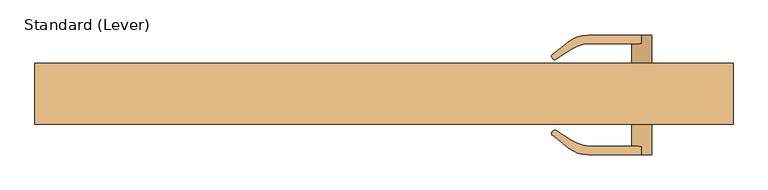
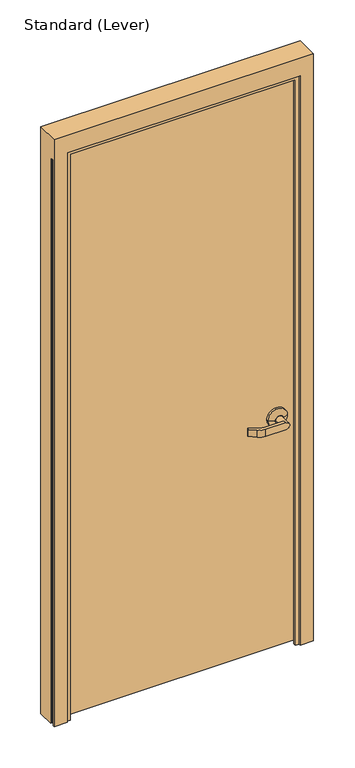
"""IFC4 building model written with IfcOpenShell, lengths in millimetres: door geometry, Standard (Lever)."""

from ifc_helpers import new_model, si_unit, frame, origin, place, context, project, spatial, polyline, circle_curve, outline, extrude, faceted_brep, source, transform, mapped, element, save
from ifc_brep_helpers import plane_surface, cylinder_surface, revolved_surface, advanced_brep


def standard_lever_a36bd445(model_context):
    return source(origin(), model_context, "Body", "SolidModel", [
        advanced_brep(
        [(414.3374977, -23.8125, 965.2), (338.1374977, -23.8125, 965.2), (414.3374977, -31.75, 965.2), (338.1374977, -31.75, 965.2), (390.5249977, -88.9, 965.2), (376.2374977, -88.9, 979.4875), (297.4875373, -88.9, 979.4875), (297.4875373, -88.9, 950.9125), (376.2374977, -88.9, 950.9125), (376.2374977, -76.2, 950.9125), (361.9499977, -76.2, 965.2), (361.9499977, -44.45, 965.2), (390.5249977, -44.45, 965.2), (376.2374977, -76.2, 979.4875), (392.1124977, -44.45, 965.2), (360.3624977, -44.45, 965.2), (300.8302697, -76.2, 979.4875), (273.1626067, -68.0044649, 979.4875), (250.708821, -53.4228059, 979.4875), (247.3460594, -53.7762464, 979.4875), (245.3292095, -55.7930963, 979.4875), (245.5753111, -60.0430182, 979.4875), (269.8947215, -79.2988023, 979.4875), (300.8302697, -76.2, 950.9125), (269.8947215, -79.2988023, 950.9125), (245.5753111, -60.0430182, 950.9125), (245.3292095, -55.7930963, 950.9125), (247.3460594, -53.7762464, 950.9125), (250.708821, -53.4228059, 950.9125), (273.1626067, -68.0044649, 950.9125)],
        [
            (0, 1, circle_curve(frame((376.2374977, -23.8125, 965.2), z_axis=(0.0, 1.0, 0.0), x_axis=(-1.0, 0.0, 0.0)), 38.1)),
            (1, 0, circle_curve(frame((376.2374977, -23.8125, 965.2), z_axis=(0.0, 1.0, 0.0), x_axis=(-1.0, 0.0, 0.0)), 38.1)),
            (0, 2),
            (2, 3, circle_curve(frame((376.2374977, -31.75, 965.2), z_axis=(0.0, 1.0, 0.0), x_axis=(-1.0, 0.0, 0.0)), 38.1)),
            (3, 1),
            (3, 2, circle_curve(frame((376.2374977, -31.75, 965.2), z_axis=(0.0, 1.0, 0.0), x_axis=(-1.0, 0.0, 0.0)), 38.1)),
            (4, 5, circle_curve(frame((376.2374977, -88.9, 965.2), z_axis=(0.0, -1.0, 0.0), x_axis=(-1.0, 0.0, 0.0)), 14.2875)),
            (5, 6),
            (6, 7),
            (7, 8),
            (8, 4, circle_curve(frame((376.2374977, -88.9, 965.2), z_axis=(0.0, -1.0, 0.0), x_axis=(-1.0, 0.0, 0.0)), 14.2875)),
            (8, 9),
            (9, 10, circle_curve(frame((376.2374977, -76.2, 965.2), z_axis=(0.0, 1.0, 0.0), x_axis=(-1.0, 0.0, 0.0)), 14.2875)),
            (10, 11),
            (11, 12, circle_curve(frame((376.2374977, -44.45, 965.2), z_axis=(0.0, -1.0, 0.0), x_axis=(-1.0, 0.0, 0.0)), 14.2875)),
            (12, 4),
            (12, 11, circle_curve(frame((376.2374977, -44.45, 965.2), z_axis=(0.0, -1.0, 0.0), x_axis=(-1.0, 0.0, 0.0)), 14.2875)),
            (10, 13, circle_curve(frame((376.2374977, -76.2, 965.2), z_axis=(0.0, 1.0, 0.0), x_axis=(-1.0, 0.0, 0.0)), 14.2875)),
            (13, 5),
            (14, 15, circle_curve(frame((376.2374977, -44.45, 965.2), z_axis=(0.0, -1.0, 0.0), x_axis=(-1.0, 0.0, 0.0)), 15.875)),
            (15, 14, circle_curve(frame((376.2374977, -44.45, 965.2), z_axis=(0.0, -1.0, 0.0), x_axis=(1.0, 0.0, 0.0)), 15.875)),
            (15, 3),
            (2, 14),
            (16, 17, circle_curve(frame((300.8302697, -25.4, 979.4875), z_axis=(0.0, 0.0, -1.0), x_axis=(-1.0, 0.0, 0.0)), 50.8)),
            (17, 18),
            (18, 19, circle_curve(frame((249.2456715, -55.6758585, 979.4875), z_axis=(0.0, 0.0, 1.0), x_axis=(-1.0, 0.0, 0.0)), 2.6864572)),
            (19, 20),
            (20, 21, circle_curve(frame((247.3445906, -57.8084775, 979.4875), z_axis=(0.0, 0.0, 1.0), x_axis=(-1.0, 0.0, 0.0)), 2.8501794)),
            (21, 22),
            (22, 6, circle_curve(frame((297.4875373, -44.45, 979.4875), z_axis=(0.0, 0.0, 1.0), x_axis=(-1.0, 0.0, 0.0)), 44.45)),
            (13, 16),
            (23, 9),
            (7, 24, circle_curve(frame((297.4875373, -44.45, 950.9125), z_axis=(0.0, 0.0, -1.0), x_axis=(-1.0, 0.0, 0.0)), 44.45)),
            (24, 25),
            (25, 26, circle_curve(frame((247.3445906, -57.8084775, 950.9125), z_axis=(0.0, 0.0, -1.0), x_axis=(-1.0, 0.0, 0.0)), 2.8501794)),
            (26, 27),
            (27, 28, circle_curve(frame((249.2456715, -55.6758585, 950.9125), z_axis=(0.0, 0.0, -1.0), x_axis=(-1.0, 0.0, 0.0)), 2.6864572)),
            (28, 29),
            (29, 23, circle_curve(frame((300.8302697, -25.4, 950.9125), z_axis=(0.0, 0.0, 1.0), x_axis=(-1.0, 0.0, 0.0)), 50.8)),
            (23, 16),
            (22, 24),
            (21, 25),
            (20, 26),
            (19, 27),
            (18, 28),
            (17, 29),
        ],
        [
            plane_surface(frame((338.1374977, -23.8125, 965.2), z_axis=(0.0, 1.0, 0.0), x_axis=(0.0, 0.0, -1.0))),
            cylinder_surface(frame((376.2374977, -23.8125, 965.2), z_axis=(0.0, -1.0, 0.0), x_axis=(-1.0, 0.0, 0.0)), 38.1),
            plane_surface(frame((361.9499977, -88.9, 965.2), z_axis=(0.0, -1.0, 0.0), x_axis=(0.0, 0.0, 1.0))),
            cylinder_surface(frame((376.2374977, -31.75, 965.2), z_axis=(0.0, -1.0, 0.0), x_axis=(-1.0, 0.0, 0.0)), 14.2875),
            plane_surface(frame((376.2374977, -44.45, 965.2), z_axis=(0.0, -1.0, 0.0), x_axis=(0.0, 0.0, -1.0))),
            revolved_surface(polyline([(360.36249767083336, -44.45, 965.2), (338.1374977, -31.75, 965.2)]), (376.2374977, -53.5214286, 965.2), (0.0, 1.0, 0.0)),
            revolved_surface(polyline([(392.11249772916665, -44.45, 965.2), (414.3374977, -31.75, 965.2)]), (376.2374977, -53.5214286, 965.2), (0.0, 1.0, 0.0)),
            plane_surface(frame((376.2374977, -76.2, 979.4875), z_axis=(0.0, 0.0, 1.0), x_axis=(1.0, 0.0, 0.0))),
            plane_surface(frame((376.2374977, -76.2, 950.9125), z_axis=(0.0, 0.0, -1.0), x_axis=(-1.0, 0.0, 0.0))),
            plane_surface(frame((300.8302697, -76.2, 979.4875), z_axis=(0.0, 1.0, 0.0), x_axis=(0.0, 0.0, -1.0))),
            cylinder_surface(frame((297.4875373, -44.45, 950.9125), z_axis=(0.0, 0.0, 1.0), x_axis=(-1.0, 0.0, 0.0)), 44.45),
            plane_surface(frame((269.8947215, -79.2988023, 979.4875), z_axis=(-0.6207607591148713, -0.7840000509841367, 0.0), x_axis=(0.0, 0.0, -1.0))),
            cylinder_surface(frame((247.3445906, -57.8084775, 950.9125), z_axis=(0.0, 0.0, 1.0), x_axis=(-1.0, 0.0, 0.0)), 2.8501794),
            plane_surface(frame((245.3292095, -55.7930963, 979.4875), z_axis=(-0.7071067811865505, 0.7071067811865446, 0.0), x_axis=(0.0, 0.0, -1.0))),
            cylinder_surface(frame((249.2456715, -55.6758585, 950.9125), z_axis=(0.0, 0.0, 1.0), x_axis=(-1.0, 0.0, 0.0)), 2.6864572),
            plane_surface(frame((250.708821, -53.4228059, 979.4875), z_axis=(0.544639035015027, 0.838670567945424, 0.0), x_axis=(0.0, 0.0, -1.0))),
            revolved_surface(polyline([(250.03026969999996, -25.4, 950.9125), (250.03026969999996, -25.4, 979.4875)]), (300.8302697, -25.4, 950.9125), (0.0, 0.0, -1.0)),
        ],
        [
            (0, [[1, 2]]),
            (1, [[3, 4, 5, -1]]),
            (1, [[-5, 6, -3, -2]]),
            (2, [[7, 8, 9, 10, 11]]),
            (3, [[-11, 12, 13, 14, 15, 16]]),
            (3, [[17, -14, 18, 19, -7, -16]]),
            (4, [[20, 21], [-17, -15]]),
            (5, [[22, -4, 23, -21]]),
            (6, [[-23, -6, -22, -20]]),
            (7, [[24, 25, 26, 27, 28, 29, 30, -8, -19, 31]]),
            (8, [[32, -12, -10, 33, 34, 35, 36, 37, 38, 39]]),
            (9, [[-18, -13, -32, 40, -31]]),
            (10, [[41, -33, -9, -30]]),
            (11, [[42, -34, -41, -29]]),
            (12, [[43, -35, -42, -28]]),
            (13, [[44, -36, -43, -27]]),
            (14, [[45, -37, -44, -26]]),
            (15, [[46, -38, -45, -25]]),
            (16, [[-40, -39, -46, -24]]),
        ],
    ),
        advanced_brep(
        [(414.3374977, 20.6375, 965.2), (338.1374977, 20.6375, 965.2), (338.1374977, 28.575, 965.2), (414.3374977, 28.575, 965.2), (390.5249977, 85.725, 965.2), (376.2374977, 85.725, 950.9125), (297.4875373, 85.725, 950.9125), (297.4875373, 85.725, 979.4875), (376.2374977, 85.725, 979.4875), (390.5249977, 41.275, 965.2), (361.9499977, 41.275, 965.2), (361.9499977, 73.025, 965.2), (376.2374977, 73.025, 950.9125), (376.2374977, 73.025, 979.4875), (392.1124977, 41.275, 965.2), (360.3624977, 41.275, 965.2), (300.8302697, 73.025, 979.4875), (269.8947215, 76.1238023, 979.4875), (245.5753111, 56.8680182, 979.4875), (245.3292095, 52.6180963, 979.4875), (247.3460594, 50.6012464, 979.4875), (250.708821, 50.2478059, 979.4875), (273.1626067, 64.8294649, 979.4875), (300.8302697, 73.025, 950.9125), (273.1626067, 64.8294649, 950.9125), (250.708821, 50.2478059, 950.9125), (247.3460594, 50.6012464, 950.9125), (245.3292095, 52.6180963, 950.9125), (245.5753111, 56.8680182, 950.9125), (269.8947215, 76.1238023, 950.9125)],
        [
            (0, 1, circle_curve(frame((376.2374977, 20.6375, 965.2), z_axis=(0.0, -1.0, 0.0), x_axis=(-1.0, 0.0, 0.0)), 38.1)),
            (1, 0, circle_curve(frame((376.2374977, 20.6375, 965.2), z_axis=(0.0, -1.0, 0.0), x_axis=(-1.0, 0.0, 0.0)), 38.1)),
            (1, 2),
            (2, 3, circle_curve(frame((376.2374977, 28.575, 965.2), z_axis=(0.0, -1.0, 0.0), x_axis=(-1.0, 0.0, 0.0)), 38.1)),
            (3, 0),
            (3, 2, circle_curve(frame((376.2374977, 28.575, 965.2), z_axis=(0.0, -1.0, 0.0), x_axis=(-1.0, 0.0, 0.0)), 38.1)),
            (4, 5, circle_curve(frame((376.2374977, 85.725, 965.2), z_axis=(0.0, 1.0, 0.0), x_axis=(-1.0, 0.0, 0.0)), 14.2875)),
            (5, 6),
            (6, 7),
            (7, 8),
            (8, 4, circle_curve(frame((376.2374977, 85.725, 965.2), z_axis=(0.0, 1.0, 0.0), x_axis=(-1.0, 0.0, 0.0)), 14.2875)),
            (4, 9),
            (9, 10, circle_curve(frame((376.2374977, 41.275, 965.2), z_axis=(0.0, 1.0, 0.0), x_axis=(-1.0, 0.0, 0.0)), 14.2875)),
            (10, 11),
            (11, 12, circle_curve(frame((376.2374977, 73.025, 965.2), z_axis=(0.0, -1.0, 0.0), x_axis=(-1.0, 0.0, 0.0)), 14.2875)),
            (12, 5),
            (8, 13),
            (13, 11, circle_curve(frame((376.2374977, 73.025, 965.2), z_axis=(0.0, -1.0, 0.0), x_axis=(-1.0, 0.0, 0.0)), 14.2875)),
            (10, 9, circle_curve(frame((376.2374977, 41.275, 965.2), z_axis=(0.0, 1.0, 0.0), x_axis=(-1.0, 0.0, 0.0)), 14.2875)),
            (14, 15, circle_curve(frame((376.2374977, 41.275, 965.2), z_axis=(0.0, 1.0, 0.0), x_axis=(1.0, 0.0, 0.0)), 15.875)),
            (15, 14, circle_curve(frame((376.2374977, 41.275, 965.2), z_axis=(0.0, 1.0, 0.0), x_axis=(-1.0, 0.0, 0.0)), 15.875)),
            (14, 3),
            (2, 15),
            (16, 13),
            (7, 17, circle_curve(frame((297.4875373, 41.275, 979.4875), z_axis=(0.0, 0.0, 1.0), x_axis=(-1.0, 0.0, 0.0)), 44.45)),
            (17, 18),
            (18, 19, circle_curve(frame((247.3445906, 54.6334775, 979.4875), z_axis=(0.0, 0.0, 1.0), x_axis=(-1.0, 0.0, 0.0)), 2.8501794)),
            (19, 20),
            (20, 21, circle_curve(frame((249.2456715, 52.5008585, 979.4875), z_axis=(0.0, 0.0, 1.0), x_axis=(-1.0, 0.0, 0.0)), 2.6864572)),
            (21, 22),
            (22, 16, circle_curve(frame((300.8302697, 22.225, 979.4875), z_axis=(0.0, 0.0, -1.0), x_axis=(-1.0, 0.0, 0.0)), 50.8)),
            (23, 24, circle_curve(frame((300.8302697, 22.225, 950.9125), z_axis=(0.0, 0.0, 1.0), x_axis=(-1.0, 0.0, 0.0)), 50.8)),
            (24, 25),
            (25, 26, circle_curve(frame((249.2456715, 52.5008585, 950.9125), z_axis=(0.0, 0.0, -1.0), x_axis=(-1.0, 0.0, 0.0)), 2.6864572)),
            (26, 27),
            (27, 28, circle_curve(frame((247.3445906, 54.6334775, 950.9125), z_axis=(0.0, 0.0, -1.0), x_axis=(-1.0, 0.0, 0.0)), 2.8501794)),
            (28, 29),
            (29, 6, circle_curve(frame((297.4875373, 41.275, 950.9125), z_axis=(0.0, 0.0, -1.0), x_axis=(-1.0, 0.0, 0.0)), 44.45)),
            (12, 23),
            (16, 23),
            (29, 17),
            (28, 18),
            (27, 19),
            (26, 20),
            (25, 21),
            (24, 22),
        ],
        [
            plane_surface(frame((338.1374977, 20.6375, 965.2), z_axis=(0.0, -1.0, 0.0), x_axis=(0.0, 0.0, -1.0))),
            cylinder_surface(frame((376.2374977, 20.6375, 965.2), z_axis=(0.0, 1.0, 0.0), x_axis=(-1.0, 0.0, 0.0)), 38.1),
            plane_surface(frame((361.9499977, 85.725, 965.2), z_axis=(0.0, 1.0, 0.0), x_axis=(0.0, 0.0, 1.0))),
            cylinder_surface(frame((376.2374977, 28.575, 965.2), z_axis=(0.0, 1.0, 0.0), x_axis=(-1.0, 0.0, 0.0)), 14.2875),
            plane_surface(frame((376.2374977, 41.275, 965.2), z_axis=(0.0, 1.0, 0.0), x_axis=(0.0, 0.0, -1.0))),
            revolved_surface(polyline([(392.11249772916665, 41.275, 965.2), (414.3374977, 28.575, 965.2)]), (376.2374977, 50.3464286, 965.2), (0.0, -1.0, 0.0)),
            revolved_surface(polyline([(360.3624976708333, 41.275, 965.2), (338.1374977, 28.575, 965.2)]), (376.2374977, 50.3464286, 965.2), (0.0, -1.0, 0.0)),
            plane_surface(frame((376.2374977, 73.025, 979.4875), z_axis=(0.0, 0.0, 1.0), x_axis=(1.0, 0.0, 0.0))),
            plane_surface(frame((376.2374977, 73.025, 950.9125), z_axis=(0.0, 0.0, -1.0), x_axis=(-1.0, 0.0, 0.0))),
            plane_surface(frame((300.8302697, 73.025, 979.4875), z_axis=(0.0, -1.0, 0.0), x_axis=(0.0, 0.0, -1.0))),
            cylinder_surface(frame((297.4875373, 41.275, 950.9125), z_axis=(0.0, 0.0, 1.0), x_axis=(-1.0, 0.0, 0.0)), 44.45),
            plane_surface(frame((269.8947215, 76.1238023, 979.4875), z_axis=(-0.6207607591148713, 0.7840000509841367, 0.0), x_axis=(0.0, 0.0, -1.0))),
            cylinder_surface(frame((247.3445906, 54.6334775, 950.9125), z_axis=(0.0, 0.0, 1.0), x_axis=(-1.0, 0.0, 0.0)), 2.8501794),
            plane_surface(frame((245.3292095, 52.6180963, 979.4875), z_axis=(-0.7071067811865505, -0.7071067811865446, 0.0), x_axis=(0.0, 0.0, -1.0))),
            cylinder_surface(frame((249.2456715, 52.5008585, 950.9125), z_axis=(0.0, 0.0, 1.0), x_axis=(-1.0, 0.0, 0.0)), 2.6864572),
            plane_surface(frame((250.708821, 50.2478059, 979.4875), z_axis=(0.544639035015027, -0.838670567945424, 0.0), x_axis=(0.0, 0.0, -1.0))),
            revolved_surface(polyline([(250.03026969999996, 22.225, 950.9125), (250.03026969999996, 22.225, 979.4875)]), (300.8302697, 22.225, 950.9125), (0.0, 0.0, -1.0)),
        ],
        [
            (0, [[1, 2]]),
            (1, [[-2, 3, 4, 5]]),
            (1, [[-1, -5, 6, -3]]),
            (2, [[7, 8, 9, 10, 11]]),
            (3, [[12, 13, 14, 15, 16, -7]]),
            (3, [[-12, -11, 17, 18, -14, 19]]),
            (4, [[20, 21], [-13, -19]]),
            (5, [[-20, 22, -4, 23]]),
            (6, [[-21, -23, -6, -22]]),
            (7, [[24, -17, -10, 25, 26, 27, 28, 29, 30, 31]]),
            (8, [[32, 33, 34, 35, 36, 37, 38, -8, -16, 39]]),
            (9, [[-24, 40, -39, -15, -18]]),
            (10, [[-25, -9, -38, 41]]),
            (11, [[-26, -41, -37, 42]]),
            (12, [[-27, -42, -36, 43]]),
            (13, [[-28, -43, -35, 44]]),
            (14, [[-29, -44, -34, 45]]),
            (15, [[-30, -45, -33, 46]]),
            (16, [[-31, -46, -32, -40]]),
        ],
    ),
        extrude(outline(polyline([(452.4374977, -23.8125), (-452.4374977, -23.8125), (-452.4374977, 20.6375), (452.4374977, 20.6375), (452.4374977, -23.8125)])), frame((0.0, 0.0, 12.7), z_axis=(0.0, 0.0, 1.0), x_axis=(1.0, 0.0, 0.0)), (0.0, 0.0, 1.0), 2347.9125),
        faceted_brep([(509.5875, -26.9875, 2365.375), (509.5875, -21.749999, 2365.375), (509.5875, -21.749999, 0.0), (509.5875, 44.45, 0.0), (509.5875, 44.45, 2438.4), (509.5875, -44.45, 2438.4), (509.5875, -44.45, 0.0), (509.5875, -38.1499897, 0.0), (509.5875, -38.1, 2351.0875), (509.5875, -26.9875, 2351.0875), (503.1132531, -38.1499897, 0.0), (503.1632427, -38.1499897, 2351.0875), (457.1999977, 44.45, 0.0), (503.1132562, -21.749999, 0.0), (502.1132405, -20.7499834, 0.0), (503.6875134, -20.7499834, 0.0), (503.6875134, -18.949936, 0.0), (498.6875186, -18.949936, 0.0), (498.6875186, -20.7499834, 0.0), (500.261756, -20.7499834, 0.0), (499.2617434, -21.7499959, 0.0), (477.8375, -21.7499959, 0.0), (477.8375, -38.1499966, 0.0), (499.2617503, -38.1499966, 0.0), (500.261756, -39.1500023, 0.0), (498.6874831, -39.1500023, 0.0), (498.6874831, -40.9498819, 0.0), (503.6874778, -40.9498819, 0.0), (503.6874778, -39.1500023, 0.0), (502.1132405, -39.1500023, 0.0), (457.1999977, -44.45, 0.0), (457.1999977, -38.1, 0.0), (442.9124977, -38.1, 0.0), (442.9124977, -26.9875, 0.0), (457.1999977, -26.9875, 0.0), (-509.5874977, -44.45, 0.0), (-457.1999977, -44.45, 0.0), (-457.1999977, -44.45, 2365.375), (457.1999977, -44.45, 2365.375), (-509.5875, -44.45, 2438.4), (-509.5875, 44.45, 2438.4), (457.1999977, 44.45, 2365.375), (-457.1999977, 44.45, 2365.375), (-457.1999977, 44.45, 0.0), (-509.5875, 44.45, 0.0), (503.1132562, -21.749999, 2365.375), (-457.1999977, -26.9875, 0.0), (-442.9124977, -26.9875, 0.0), (-442.9124977, -38.1, 0.0), (-457.1999977, -38.1, 0.0), (-509.5874977, -38.1499897, 0.0), (-503.1132531, -38.1499897, 0.0), (-502.1132405, -39.1500023, 0.0), (-503.6874778, -39.1500023, 0.0), (-503.6874778, -40.9498819, 0.0), (-498.6874831, -40.9498819, 0.0), (-498.6874831, -39.1500023, 0.0), (-500.261756, -39.1500023, 0.0), (-499.2617503, -38.1499966, 0.0), (-477.8375, -38.1499966, 0.0), (-477.8375, -21.7499959, 0.0), (-499.2617434, -21.7499959, 0.0), (-500.261756, -20.7499834, 0.0), (-498.6875186, -20.7499834, 0.0), (-498.6875186, -18.949936, 0.0), (-503.6875134, -18.949936, 0.0), (-503.6875134, -20.7499834, 0.0), (-502.1132405, -20.7499834, 0.0), (-503.1132562, -21.749999, 0.0), (-509.5875, -21.749999, 0.0), (-509.5875, -21.749999, 2365.375), (-509.5875, -26.9875, 2365.375), (-509.5875, -26.9875, 2351.0875), (-509.5875, -38.1, 2351.0875), (-503.1632427, -38.1499897, 2351.0875), (-503.1132562, -21.749999, 2365.375), (-457.1999977, -26.9875, 2365.375), (457.1999977, -26.9875, 2365.375), (457.1999977, -38.1, 2365.375), (-457.1999977, -38.1, 2365.375), (442.9124977, -26.9875, 2351.0875), (-442.9124977, -26.9875, 2351.0875), (477.8375, -26.9875, 2351.0875), (477.8375, -26.9875, 2365.375), (-477.8375, -26.9875, 2365.375), (-477.8375, -26.9875, 2351.0875), (-442.9124977, -38.1, 2351.0875), (442.9124977, -38.1, 2351.0875), (503.1632427, -38.1, 2365.375), (499.2117537, -38.1, 2365.375), (499.2117537, -38.1, 2351.0875), (-499.2117537, -38.1, 2351.0875), (-499.2117537, -38.1, 2365.375), (-503.1632427, -38.1, 2365.375), (502.1132405, -39.1500023, 2365.375), (503.6874778, -39.1500023, 2365.375), (503.6874778, -40.9498819, 2365.375), (498.6874831, -40.9498819, 2365.375), (498.6874831, -39.1500023, 2365.375), (500.261756, -39.1500023, 2365.375), (477.8375, -38.1499966, 2351.0875), (477.8375, -21.7499959, 2365.375), (499.2617434, -21.7499959, 2365.375), (500.261756, -20.7499834, 2365.375), (498.6875186, -20.7499834, 2365.375), (498.6875186, -18.949936, 2365.375), (503.6875134, -18.949936, 2365.375), (503.6875134, -20.7499834, 2365.375), (502.1132405, -20.7499834, 2365.375), (-502.1132405, -20.7499834, 2365.375), (-503.6875134, -20.7499834, 2365.375), (-503.6875134, -18.949936, 2365.375), (-498.6875186, -18.949936, 2365.375), (-498.6875186, -20.7499834, 2365.375), (-500.261756, -20.7499834, 2365.375), (-499.2617434, -21.7499959, 2365.375), (-477.8375, -21.7499959, 2365.375), (-477.8375, -38.1, 2351.0875), (-500.261756, -39.1500023, 2365.375), (-498.6874831, -39.1500023, 2365.375), (-498.6874831, -40.9498819, 2365.375), (-503.6874778, -40.9498819, 2365.375), (-503.6874778, -39.1500023, 2365.375), (-502.1132405, -39.1500023, 2365.375)], [[[0, 1, 2, 3, 4, 5, 6, 7, 8, 9]], [[10, 11, 8, 7]], [[12, 3, 2, 13, 14, 15, 16, 17, 18, 19, 20, 21, 22, 23, 24, 25, 26, 27, 28, 29, 10, 7, 6, 30, 31, 32, 33, 34]], [[35, 36, 37, 38, 30, 6, 5, 39]], [[40, 4, 3, 12, 41, 42, 43, 44]], [[2, 1, 45, 13]], [[43, 46, 47, 48, 49, 36, 35, 50, 51, 52, 53, 54, 55, 56, 57, 58, 59, 60, 61, 62, 63, 64, 65, 66, 67, 68, 69, 44]], [[35, 39, 40, 44, 69, 70, 71, 72, 73, 50]], [[50, 73, 74, 51]], [[68, 75, 70, 69]], [[43, 42, 76, 46]], [[34, 77, 41, 12]], [[30, 38, 78, 31]], [[79, 37, 36, 49]], [[33, 80, 81, 47, 46, 76, 77, 34]], [[9, 82, 83, 0]], [[71, 84, 85, 72]], [[47, 81, 86, 48]], [[32, 87, 80, 33]], [[31, 78, 79, 49, 48, 86, 87, 32]], [[11, 88, 89, 90]], [[91, 92, 93, 74]], [[29, 94, 88, 11, 10]], [[28, 95, 94, 29]], [[27, 96, 95, 28]], [[26, 97, 96, 27]], [[25, 98, 97, 26]], [[24, 99, 98, 25]], [[23, 90, 89, 99, 24]], [[22, 100, 90, 23]], [[21, 101, 83, 82, 100, 22]], [[20, 102, 101, 21]], [[19, 103, 102, 20]], [[18, 104, 103, 19]], [[17, 105, 104, 18]], [[16, 106, 105, 17]], [[15, 107, 106, 16]], [[14, 108, 107, 15]], [[13, 45, 108, 14]], [[67, 109, 75, 68]], [[66, 110, 109, 67]], [[65, 111, 110, 66]], [[64, 112, 111, 65]], [[63, 113, 112, 64]], [[62, 114, 113, 63]], [[61, 115, 114, 62]], [[60, 116, 115, 61]], [[59, 117, 85, 84, 116, 60]], [[58, 91, 117, 59]], [[57, 118, 92, 91, 58]], [[56, 119, 118, 57]], [[55, 120, 119, 56]], [[54, 121, 120, 55]], [[53, 122, 121, 54]], [[52, 123, 122, 53]], [[51, 74, 93, 123, 52]], [[72, 85, 117, 91, 74, 73]], [[8, 11, 90, 100, 82, 9]], [[87, 86, 81, 80]], [[40, 39, 5, 4]], [[0, 83, 101, 102, 103, 104, 105, 106, 107, 108, 45, 1]], [[70, 75, 109, 110, 111, 112, 113, 114, 115, 116, 84, 71]], [[76, 42, 41, 77]], [[38, 37, 79, 78]], [[88, 94, 95, 96, 97, 98, 99, 89]], [[92, 118, 119, 120, 121, 122, 123, 93]]]),
    ])


if __name__ == "__main__":
    model = new_model("IFC4")
    model_context = context("Model", 3, world=origin())
    ifc_project = project(units=[si_unit("LENGTHUNIT", "METRE", prefix="MILLI")], contexts=[model_context])
    site = spatial("IfcSite", under=ifc_project)
    building = spatial("IfcBuilding", under=site)
    placement = place(None, origin())
    standard_lever_shape = standard_lever_a36bd445(model_context)
    element("IfcDoor", 1, ObjectType="Standard (Lever)", at=placement, inside=building, context=model_context, shape_type="MappedRepresentation", body=[
        mapped(standard_lever_shape, transform((0.0, 0.0, 0.0), x_axis=(1.0, 0.0, 0.0), y_axis=(0.0, 1.0, 0.0), z_axis=(0.0, 0.0, 1.0))),
    ])
    save(model, "model.ifc")
